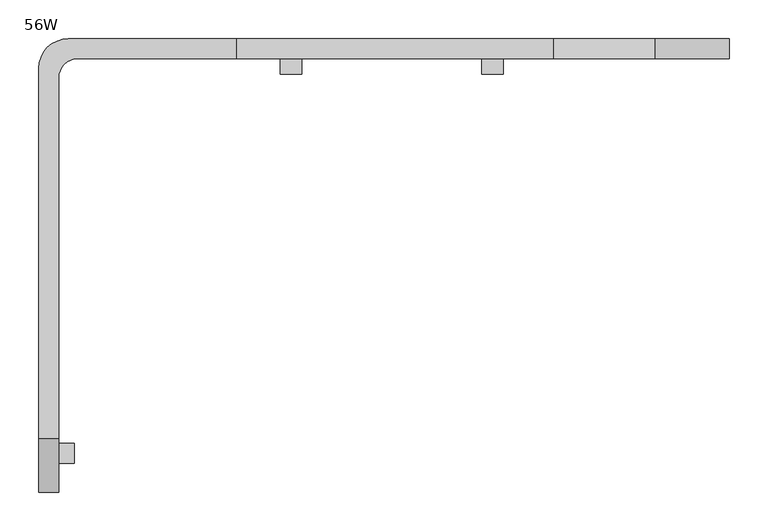
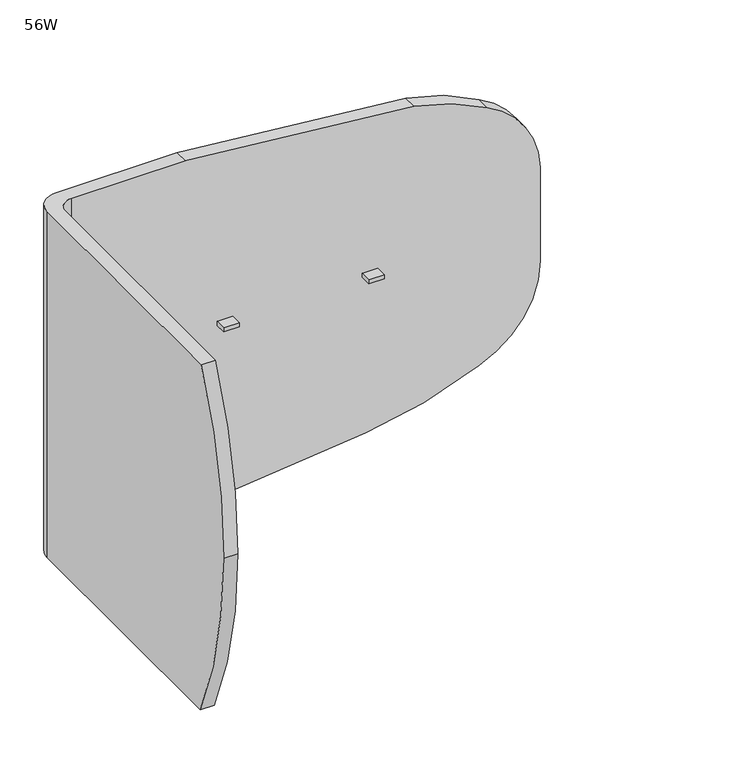
"""IFC4 building model written with IfcOpenShell, lengths in millimetres: furniture geometry, 56W."""

from ifc_helpers import new_model, si_unit, frame, origin, place, context, project, spatial, polyline, circle_curve, outline, extrude, source, transform, mapped, element, save
from ifc_brep_helpers import plane_surface, cylinder_surface, revolved_surface, advanced_brep


def furniture_56w_91b64fef(model_context):
    return source(origin(), model_context, "Body", "SolidModel", [
        extrude(outline(polyline([(36.9402955, -502.2794403), (17.0012471, -502.2794403), (17.0012471, -476.8794403), (36.9402955, -476.8794403), (36.9402955, -502.2794403)])), frame((0.0, 0.0, 742.9190305), z_axis=(0.0, 0.0, 1.0), x_axis=(1.0, 0.0, 0.0)), (0.0, 0.0, 1.0), 7.6708133),
        extrude(outline(polyline([(589.5680424, 19.3095839), (589.5680424, -0.6294403), (562.0090955, -0.6294403), (562.0090955, 19.3095839), (589.5680424, 19.3095839)])), frame((0.0, 0.0, 742.9190305), z_axis=(0.0, 0.0, 1.0), x_axis=(1.0, 0.0, 0.0)), (0.0, 0.0, 1.0), 7.6708133),
        extrude(outline(polyline([(330.2850222, 19.3095839), (330.2850222, -0.6294403), (302.7258955, -0.6294403), (302.7258955, 19.3095839), (330.2850222, 19.3095839)])), frame((0.0, 0.0, 742.9190305), z_axis=(0.0, 0.0, 1.0), x_axis=(1.0, 0.0, 0.0)), (0.0, 0.0, 1.0), 7.6708133),
        advanced_brep(
        [(17.0012471, -6.0904161, 1074.4398437), (42.4012471, 19.3095839, 1074.4398437), (245.6012471, 19.3095839, 1074.4398437), (245.6012471, 44.7095839, 1074.4398437), (29.7012463, 44.7095839, 1074.4398437), (-8.3987537, 6.6095839, 1074.4398437), (-8.3987537, -470.2316959, 1074.4398437), (17.0012471, -470.2316959, 1074.4398437), (-8.3987537, 6.6095839, 420.3898438), (29.7012463, 44.7095839, 420.3898438), (230.9605244, 44.7095839, 420.3898438), (320.4412407, 44.7095839, 420.3898438), (320.4412407, 19.3095839, 420.3898438), (230.9605244, 19.3095839, 420.3898438), (42.4012471, 19.3095839, 420.3898438), (17.0012471, -6.0904161, 420.3898438), (17.0012471, -467.3518496, 420.3898438), (-8.3987537, -467.3518496, 420.3898438), (17.0012471, -539.4904161, 750.5898437), (568.7391705, 19.3095839, 447.5282371), (770.9763216, 19.3095839, 504.1316012), (880.6012471, 19.3095839, 662.671002), (880.6012471, 19.3095839, 839.2551565), (785.7029293, 19.3095839, 985.2077699), (654.7195462, 19.3095839, 1034.0272549), (880.6012471, 44.7095839, 662.671002), (880.6012471, 44.7095839, 839.2551565), (654.7195462, 44.7095839, 1034.0272549), (785.7029293, 44.7095839, 985.2077699), (770.9763216, 44.7095839, 504.1316012), (568.7391705, 44.7095839, 447.5282371), (-8.3987537, -539.4904161, 750.5898437)],
        [
            (0, 1, circle_curve(frame((42.4012471, -6.0904161, 1074.4398437), z_axis=(0.0, 0.0, -1.0), x_axis=(1.0, 0.0, 0.0)), 25.4)),
            (1, 2),
            (2, 3),
            (3, 4),
            (4, 5, circle_curve(frame((29.7012463, 6.6095839, 1074.4398437), z_axis=(0.0, 0.0, 1.0), x_axis=(1.0, 0.0, 0.0)), 38.1)),
            (5, 6),
            (6, 7),
            (7, 0),
            (8, 9, circle_curve(frame((29.7012463, 6.6095839, 420.3898438), z_axis=(0.0, 0.0, -1.0), x_axis=(1.0, 0.0, 0.0)), 38.1)),
            (9, 10),
            (10, 11),
            (11, 12),
            (12, 13),
            (13, 14),
            (14, 15, circle_curve(frame((42.4012471, -6.0904161, 420.3898438), z_axis=(0.0, 0.0, 1.0), x_axis=(1.0, 0.0, 0.0)), 25.4)),
            (15, 16),
            (16, 17),
            (17, 8),
            (15, 0),
            (7, 18, circle_curve(frame((17.0012471, 252.2914169, 750.5898437), z_axis=(1.0, 0.0, 0.0), x_axis=(0.0, 1.0, 0.0)), 791.781833)),
            (18, 16, circle_curve(frame((17.0012471, 252.2914169, 750.5898437), z_axis=(1.0, 0.0, 0.0), x_axis=(0.0, 1.0, 0.0)), 791.781833)),
            (1, 14),
            (12, 19, circle_curve(frame((275.7008826, 19.3095839, 1979.1820268), z_axis=(0.0, -1.0, 0.0), x_axis=(0.0, 0.0, -1.0)), 1559.4341184)),
            (19, 20, circle_curve(frame((495.7118102, 19.3095839, 1098.0328308), z_axis=(0.0, -1.0, 0.0), x_axis=(0.0, 0.0, -1.0)), 654.5908812)),
            (20, 21, circle_curve(frame((711.1490639, 19.3095839, 662.671002), z_axis=(0.0, -1.0, 0.0), x_axis=(0.0, 0.0, -1.0)), 169.4521832)),
            (21, 22),
            (22, 23, circle_curve(frame((711.1490639, 19.3095839, 832.9051565), z_axis=(0.0, -1.0, 0.0), x_axis=(0.0, 0.0, -1.0)), 169.5711204)),
            (23, 24, circle_curve(frame((586.1221308, 19.3095839, 649.8545028), z_axis=(0.0, -1.0, 0.0), x_axis=(0.0, 0.0, -1.0)), 390.2490344)),
            (24, 2, circle_curve(frame((206.3183707, 19.3095839, -1414.3099835), z_axis=(0.0, -1.0, 0.0), x_axis=(0.0, 0.0, -1.0)), 2489.059832)),
            (21, 25),
            (25, 26),
            (26, 22),
            (9, 4),
            (3, 27, circle_curve(frame((206.3183707, 44.7095839, -1414.3099835), z_axis=(0.0, 1.0, 0.0), x_axis=(0.0, 0.0, -1.0)), 2489.059832)),
            (27, 28, circle_curve(frame((586.1221308, 44.7095839, 649.8545028), z_axis=(0.0, 1.0, 0.0), x_axis=(0.0, 0.0, -1.0)), 390.2490344)),
            (28, 26, circle_curve(frame((711.1490639, 44.7095839, 832.9051565), z_axis=(0.0, 1.0, 0.0), x_axis=(0.0, 0.0, -1.0)), 169.5711204)),
            (25, 29, circle_curve(frame((711.1490639, 44.7095839, 662.671002), z_axis=(0.0, 1.0, 0.0), x_axis=(0.0, 0.0, -1.0)), 169.4521832)),
            (29, 30, circle_curve(frame((495.7118102, 44.7095839, 1098.0328308), z_axis=(0.0, 1.0, 0.0), x_axis=(0.0, 0.0, -1.0)), 654.5908812)),
            (30, 11, circle_curve(frame((275.7008826, 44.7095839, 1979.1820268), z_axis=(0.0, 1.0, 0.0), x_axis=(0.0, 0.0, -1.0)), 1559.4341184)),
            (5, 8),
            (17, 31, circle_curve(frame((-8.3987537, 252.2914169, 750.5898437), z_axis=(-1.0, 0.0, 0.0), x_axis=(0.0, 1.0, 0.0)), 791.781833)),
            (31, 6, circle_curve(frame((-8.3987537, 252.2914169, 750.5898437), z_axis=(-1.0, 0.0, 0.0), x_axis=(0.0, 1.0, 0.0)), 791.781833)),
            (30, 19),
            (29, 20),
            (28, 23),
            (27, 24),
            (31, 18),
        ],
        [
            plane_surface(frame((17.0012471, -539.4904161, 1074.4398437), z_axis=(0.0, 0.0, 1.0), x_axis=(0.0, 1.0, 0.0))),
            plane_surface(frame((17.0012471, -539.4904161, 420.3898438), z_axis=(0.0, 0.0, -1.0), x_axis=(0.0, -1.0, 0.0))),
            plane_surface(frame((17.0012471, -539.4904161, 1074.4398437), z_axis=(1.0, 0.0, 0.0), x_axis=(0.0, 0.0, -1.0))),
            plane_surface(frame((42.4012471, 19.3095839, 1074.4398437), z_axis=(0.0, -1.0, 0.0), x_axis=(0.0, 0.0, -1.0))),
            plane_surface(frame((880.6012471, 19.3095839, 1074.4398437), z_axis=(1.0, 0.0, 0.0), x_axis=(0.0, 0.0, -1.0))),
            plane_surface(frame((880.6012471, 44.7095839, 1074.4398437), z_axis=(0.0, 1.0, 0.0), x_axis=(0.0, 0.0, -1.0))),
            plane_surface(frame((-8.3987537, 6.6095839, 1074.4398437), z_axis=(-1.0, 0.0, 0.0), x_axis=(0.0, 0.0, -1.0))),
            revolved_surface(polyline([(67.8012471, -6.0904161, 420.3898438), (67.8012471, -6.0904161, 1074.4398437)]), (42.4012471, -6.0904161, 420.3898438), (0.0, 0.0, -1.0)),
            cylinder_surface(frame((29.7012463, 6.6095839, 420.3898438), z_axis=(0.0, 0.0, 1.0), x_axis=(1.0, 0.0, 0.0)), 38.1),
            cylinder_surface(frame((275.7008826, -539.4904161, 1979.1820268), z_axis=(0.0, -1.0, 0.0), x_axis=(0.0, 0.0, -1.0)), 1559.4341184),
            cylinder_surface(frame((495.7118102, -539.4904161, 1098.0328308), z_axis=(0.0, -1.0, 0.0), x_axis=(0.0, 0.0, -1.0)), 654.5908812),
            cylinder_surface(frame((711.1490639, -539.4904161, 662.671002), z_axis=(0.0, -1.0, 0.0), x_axis=(0.0, 0.0, -1.0)), 169.4521832),
            cylinder_surface(frame((711.1490639, -539.4904161, 832.9051565), z_axis=(0.0, -1.0, 0.0), x_axis=(0.0, 0.0, -1.0)), 169.5711204),
            cylinder_surface(frame((586.1221308, -539.4904161, 649.8545028), z_axis=(0.0, -1.0, 0.0), x_axis=(0.0, 0.0, -1.0)), 390.2490344),
            cylinder_surface(frame((206.3183707, -539.4904161, -1414.3099835), z_axis=(0.0, -1.0, 0.0), x_axis=(0.0, 0.0, -1.0)), 2489.059832),
            cylinder_surface(frame((-363.5449056, 252.2914169, 750.5898437), z_axis=(-1.0, 0.0, 0.0), x_axis=(0.0, 1.0, 0.0)), 791.781833),
        ],
        [
            (0, [[1, 2, 3, 4, 5, 6, 7, 8]]),
            (1, [[9, 10, 11, 12, 13, 14, 15, 16, 17, 18]]),
            (2, [[19, -8, 20, 21, -16]]),
            (3, [[22, -14, -13, 23, 24, 25, 26, 27, 28, 29, -2]]),
            (4, [[-26, 30, 31, 32]]),
            (5, [[33, -4, 34, 35, 36, -31, 37, 38, 39, -11, -10]]),
            (6, [[40, -18, 41, 42, -6]]),
            (7, [[-1, -19, -15, -22]]),
            (8, [[-5, -33, -9, -40]]),
            (9, [[43, -23, -12, -39]]),
            (10, [[-43, -38, 44, -24]]),
            (11, [[-44, -37, -30, -25]]),
            (12, [[45, -27, -32, -36]]),
            (13, [[-45, -35, 46, -28]]),
            (14, [[-46, -34, -3, -29]]),
            (15, [[-7, -42, 47, -20]]),
            (15, [[-17, -21, -47, -41]]),
        ],
    ),
    ])


if __name__ == "__main__":
    model = new_model("IFC4")
    model_context = context("Model", 3, world=origin())
    ifc_project = project(units=[si_unit("LENGTHUNIT", "METRE", prefix="MILLI")], contexts=[model_context])
    site = spatial("IfcSite", under=ifc_project)
    building = spatial("IfcBuilding", under=site)
    placement = place(None, origin())
    furniture_56w_shape = furniture_56w_91b64fef(model_context)
    element("IfcFurniture", 1, ObjectType="56W", at=placement, inside=building, context=model_context, shape_type="MappedRepresentation", body=[
        mapped(furniture_56w_shape, transform((0.0, 0.0, 0.0), x_axis=(1.0, 0.0, 0.0), y_axis=(0.0, 1.0, 0.0), z_axis=(0.0, 0.0, 1.0))),
    ])
    save(model, "model.ifc")
